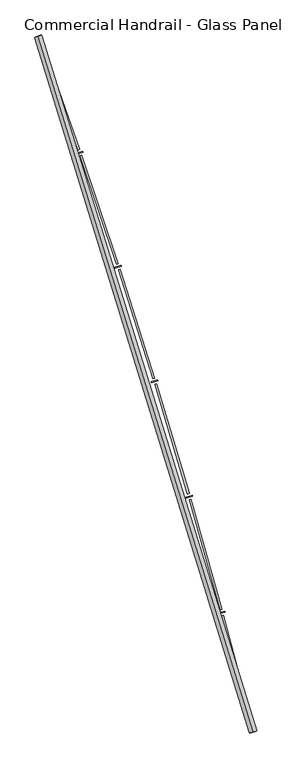
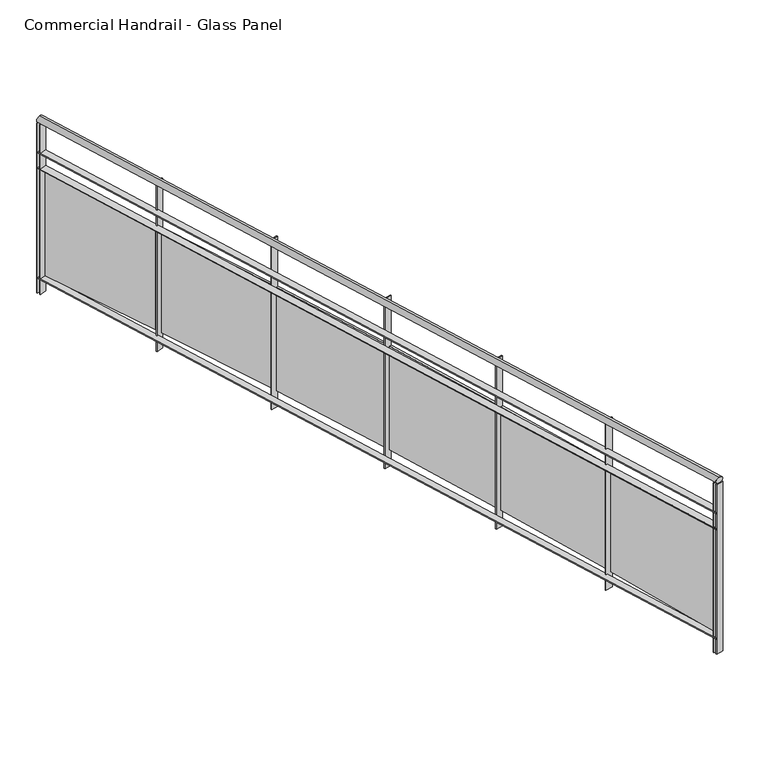
"""IFC4 building model written with IfcOpenShell, lengths in millimetres: railing geometry, Commercial Handrail - Glass Panel."""

from ifc_helpers import new_model, si_unit, point, frame, origin, place, context, project, spatial, polyline, circle_curve, ellipse_curve, trimmed, outline, extrude, source, transform, mapped, element, save
from ifc_brep_helpers import plane_surface, cylinder_surface, revolved_surface, advanced_brep


def commercial_handrail_glass_panel_d2531020(model_context):
    return source(origin(), model_context, "Body", "SolidModel", [
        advanced_brep(
        [(180775.6028582, -41782.2225015, 36682.5), (179346.0628414, -37160.8311359, 36682.5), (179346.0628414, -37160.8311359, 36717.5), (180775.6028582, -41782.2225015, 36717.5)],
        [
            (0, 1, circle_curve(frame((134505.1876621, -53563.3040857, 36682.5), z_axis=(0.0, 0.0, 1.0), x_axis=(0.9391412678699065, 0.3435311906999195, 0.0)), 47746.6774311)),
            (1, 2, ellipse_curve(frame((179346.0628414, -37160.8311359, 36700.0), z_axis=(0.34353119069991334, -0.9391412678699089, 0.0), x_axis=(-0.9391412678699087, -0.3435311906999133, 0.0)), 25.0, 17.5)),
            (2, 3, circle_curve(frame((134505.1876621, -53563.3040857, 36717.5), z_axis=(0.0, 0.0, -1.0), x_axis=(0.9391412678699065, 0.3435311906999195, 0.0)), 47746.6774311)),
            (3, 0, ellipse_curve(frame((180775.6028582, -41782.2225015, 36700.0), z_axis=(-0.24674139056469252, 0.969081362003316, 0.0), x_axis=(-0.969081362003316, -0.24674139056469252, 0.0)), 25.0, 17.5)),
            (2, 1, ellipse_curve(frame((179346.0628414, -37160.8311359, 36700.0), z_axis=(0.34353119069991334, -0.9391412678699089, 0.0), x_axis=(-0.9391412678699087, -0.3435311906999133, 0.0)), 25.0, 17.5)),
            (0, 3, ellipse_curve(frame((180775.6028582, -41782.2225015, 36700.0), z_axis=(-0.24674139056469252, 0.969081362003316, 0.0), x_axis=(-0.969081362003316, -0.24674139056469252, 0.0)), 25.0, 17.5)),
        ],
        [
            revolved_surface(trimmed(ellipse_curve(frame((179346.0628414, -37160.8311359, 36700.0), z_axis=(-0.3435311906999195, 0.9391412678699065, 0.0), x_axis=(0.0, 0.0, -1.0)), 17.5, 25.0), [point((179346.0628414, -37160.8311359, 36717.5))], [point((179346.0628414, -37160.8311359, 36682.5))], True, "CARTESIAN"), (134505.1876621, -53563.3040857, 36700.0), (0.0, 0.0, -1.0)),
            revolved_surface(trimmed(ellipse_curve(frame((179346.0628414, -37160.8311359, 36700.0), z_axis=(-0.3435311906999195, 0.9391412678699065, 0.0), x_axis=(0.0, 0.0, -1.0)), 17.5, 25.0), [point((179346.0628414, -37160.8311359, 36682.5))], [point((179346.0628414, -37160.8311359, 36717.5))], True, "CARTESIAN"), (134505.1876621, -53563.3040857, 36700.0), (0.0, 0.0, -1.0)),
            plane_surface(frame((179346.0628414, -37160.8311359, 36700.0), z_axis=(-0.3435311906999195, 0.9391412678699065, 0.0), x_axis=(0.9391412678699065, 0.3435311906999195, 0.0))),
            plane_surface(frame((180775.6028582, -41782.2225015, 36700.0), z_axis=(0.24674139056469271, -0.9690813620033158, 0.0), x_axis=(0.9690813620033158, 0.24674139056469271, 0.0))),
        ],
        [
            (0, [[1, 2, 3, 4]]),
            (1, [[-3, 5, -1, 6]]),
            (2, [[-2, -5]]),
            (3, [[-6, -4]]),
        ],
    ),
        advanced_brep(
        [(180797.4071889, -41776.6708203, 36500.0), (179367.1935199, -37153.1016841, 36500.0), (179324.9321629, -37168.5605877, 36500.0), (180753.7985276, -41787.7741828, 36500.0), (180797.4071889, -41776.6708203, 36494.0), (179367.1935199, -37153.1016841, 36494.0), (180753.7985276, -41787.7741828, 36494.0), (179324.9321629, -37168.5605877, 36494.0)],
        [
            (0, 1, circle_curve(frame((134505.1876621, -53563.3040857, 36500.0), z_axis=(0.0, 0.0, 1.0), x_axis=(0.9391412678699065, 0.3435311906999195, 0.0)), 47769.1774311)),
            (1, 2),
            (2, 3, circle_curve(frame((134505.1876621, -53563.3040857, 36500.0), z_axis=(0.0, 0.0, -1.0), x_axis=(0.9391412678699065, 0.3435311906999195, 0.0)), 47724.1774311)),
            (3, 0),
            (4, 5, circle_curve(frame((134505.1876621, -53563.3040857, 36494.0), z_axis=(0.0, 0.0, 1.0), x_axis=(0.9391412678699065, 0.3435311906999195, 0.0)), 47769.1774311)),
            (5, 1),
            (0, 4),
            (6, 7, circle_curve(frame((134505.1876621, -53563.3040857, 36494.0), z_axis=(0.0, 0.0, 1.0), x_axis=(0.9391412678699065, 0.3435311906999195, 0.0)), 47724.1774311)),
            (7, 5),
            (4, 6),
            (2, 7),
            (6, 3),
        ],
        [
            plane_surface(frame((134505.1876621, -53563.3040857, 36500.0), z_axis=(0.0, 0.0, 1.0), x_axis=(0.9391412678699065, 0.3435311906999195, 0.0))),
            cylinder_surface(frame((134505.1876621, -53563.3040857, 36500.0), z_axis=(0.0, 0.0, -1.0), x_axis=(0.9391412678699065, 0.3435311906999195, 0.0)), 47769.1774311),
            plane_surface(frame((134505.1876621, -53563.3040857, 36494.0), z_axis=(0.0, 0.0, -1.0), x_axis=(0.9391412678699065, 0.3435311906999195, 0.0))),
            revolved_surface(polyline([(179324.93216279164, -37168.56058762, 36494.0), (179324.93216279164, -37168.56058762, 36500.0)]), (134505.1876621, -53563.3040857, 36500.0), (0.0, 0.0, -1.0)),
            plane_surface(frame((179346.0628414, -37160.8311359, 36500.0), z_axis=(-0.3435311906999195, 0.9391412678699065, 0.0), x_axis=(0.9391412678699065, 0.3435311906999195, 0.0))),
            plane_surface(frame((180775.6028582, -41782.2225015, 36500.0), z_axis=(0.24674139056469271, -0.9690813620033158, 0.0), x_axis=(0.9690813620033158, 0.24674139056469271, 0.0))),
        ],
        [
            (0, [[1, 2, 3, 4]]),
            (1, [[5, 6, -1, 7]]),
            (2, [[8, 9, -5, 10]]),
            (3, [[-3, 11, -8, 12]]),
            (4, [[-2, -6, -9, -11]]),
            (5, [[-12, -10, -7, -4]]),
        ],
    ),
        advanced_brep(
        [(180797.4071889, -41776.6708203, 36400.0), (179367.1935199, -37153.1016841, 36400.0), (179324.9321629, -37168.5605877, 36400.0), (180753.7985276, -41787.7741828, 36400.0), (180797.4071889, -41776.6708203, 36394.0), (179367.1935199, -37153.1016841, 36394.0), (180753.7985276, -41787.7741828, 36394.0), (179324.9321629, -37168.5605877, 36394.0)],
        [
            (0, 1, circle_curve(frame((134505.1876621, -53563.3040857, 36400.0), z_axis=(0.0, 0.0, 1.0), x_axis=(0.9391412678699065, 0.3435311906999195, 0.0)), 47769.1774311)),
            (1, 2),
            (2, 3, circle_curve(frame((134505.1876621, -53563.3040857, 36400.0), z_axis=(0.0, 0.0, -1.0), x_axis=(0.9391412678699065, 0.3435311906999195, 0.0)), 47724.1774311)),
            (3, 0),
            (4, 5, circle_curve(frame((134505.1876621, -53563.3040857, 36394.0), z_axis=(0.0, 0.0, 1.0), x_axis=(0.9391412678699065, 0.3435311906999195, 0.0)), 47769.1774311)),
            (5, 1),
            (0, 4),
            (6, 7, circle_curve(frame((134505.1876621, -53563.3040857, 36394.0), z_axis=(0.0, 0.0, 1.0), x_axis=(0.9391412678699065, 0.3435311906999195, 0.0)), 47724.1774311)),
            (7, 5),
            (4, 6),
            (2, 7),
            (6, 3),
        ],
        [
            plane_surface(frame((134505.1876621, -53563.3040857, 36400.0), z_axis=(0.0, 0.0, 1.0), x_axis=(0.9391412678699065, 0.3435311906999195, 0.0))),
            cylinder_surface(frame((134505.1876621, -53563.3040857, 36400.0), z_axis=(0.0, 0.0, -1.0), x_axis=(0.9391412678699065, 0.3435311906999195, 0.0)), 47769.1774311),
            plane_surface(frame((134505.1876621, -53563.3040857, 36394.0), z_axis=(0.0, 0.0, -1.0), x_axis=(0.9391412678699065, 0.3435311906999195, 0.0))),
            revolved_surface(polyline([(179324.93216279164, -37168.56058762, 36394.0), (179324.93216279164, -37168.56058762, 36400.0)]), (134505.1876621, -53563.3040857, 36400.0), (0.0, 0.0, -1.0)),
            plane_surface(frame((179346.0628414, -37160.8311359, 36400.0), z_axis=(-0.3435311906999195, 0.9391412678699065, 0.0), x_axis=(0.9391412678699065, 0.3435311906999195, 0.0))),
            plane_surface(frame((180775.6028582, -41782.2225015, 36400.0), z_axis=(0.24674139056469271, -0.9690813620033158, 0.0), x_axis=(0.9690813620033158, 0.24674139056469271, 0.0))),
        ],
        [
            (0, [[1, 2, 3, 4]]),
            (1, [[5, 6, -1, 7]]),
            (2, [[8, 9, -5, 10]]),
            (3, [[-3, 11, -8, 12]]),
            (4, [[-2, -6, -9, -11]]),
            (5, [[-12, -10, -7, -4]]),
        ],
    ),
        advanced_brep(
        [(180797.4071889, -41776.6708203, 35700.0), (179367.1935199, -37153.1016841, 35700.0), (179324.9321629, -37168.5605877, 35700.0), (180753.7985276, -41787.7741828, 35700.0), (180797.4071889, -41776.6708203, 35694.0), (179367.1935199, -37153.1016841, 35694.0), (180753.7985276, -41787.7741828, 35694.0), (179324.9321629, -37168.5605877, 35694.0)],
        [
            (0, 1, circle_curve(frame((134505.1876621, -53563.3040857, 35700.0), z_axis=(0.0, 0.0, 1.0), x_axis=(0.9391412678699065, 0.3435311906999195, 0.0)), 47769.1774311)),
            (1, 2),
            (2, 3, circle_curve(frame((134505.1876621, -53563.3040857, 35700.0), z_axis=(0.0, 0.0, -1.0), x_axis=(0.9391412678699065, 0.3435311906999195, 0.0)), 47724.1774311)),
            (3, 0),
            (4, 5, circle_curve(frame((134505.1876621, -53563.3040857, 35694.0), z_axis=(0.0, 0.0, 1.0), x_axis=(0.9391412678699065, 0.3435311906999195, 0.0)), 47769.1774311)),
            (5, 1),
            (0, 4),
            (6, 7, circle_curve(frame((134505.1876621, -53563.3040857, 35694.0), z_axis=(0.0, 0.0, 1.0), x_axis=(0.9391412678699065, 0.3435311906999195, 0.0)), 47724.1774311)),
            (7, 5),
            (4, 6),
            (2, 7),
            (6, 3),
        ],
        [
            plane_surface(frame((134505.1876621, -53563.3040857, 35700.0), z_axis=(0.0, 0.0, 1.0), x_axis=(0.9391412678699065, 0.3435311906999195, 0.0))),
            cylinder_surface(frame((134505.1876621, -53563.3040857, 35700.0), z_axis=(0.0, 0.0, -1.0), x_axis=(0.9391412678699065, 0.3435311906999195, 0.0)), 47769.1774311),
            plane_surface(frame((134505.1876621, -53563.3040857, 35694.0), z_axis=(0.0, 0.0, -1.0), x_axis=(0.9391412678699065, 0.3435311906999195, 0.0))),
            revolved_surface(polyline([(179324.93216279164, -37168.56058762, 35694.0), (179324.93216279164, -37168.56058762, 35700.0)]), (134505.1876621, -53563.3040857, 35700.0), (0.0, 0.0, -1.0)),
            plane_surface(frame((179346.0628414, -37160.8311359, 35700.0), z_axis=(-0.3435311906999195, 0.9391412678699065, 0.0), x_axis=(0.9391412678699065, 0.3435311906999195, 0.0))),
            plane_surface(frame((180775.6028582, -41782.2225015, 35700.0), z_axis=(0.24674139056469271, -0.9690813620033158, 0.0), x_axis=(0.9690813620033158, 0.24674139056469271, 0.0))),
        ],
        [
            (0, [[1, 2, 3, 4]]),
            (1, [[5, 6, -1, 7]]),
            (2, [[8, 9, -5, 10]]),
            (3, [[-3, 11, -8, 12]]),
            (4, [[-2, -6, -9, -11]]),
            (5, [[-12, -10, -7, -4]]),
        ],
    ),
        extrude(outline(polyline([(180748.1806794, -41765.7315693), (180791.7847427, -41754.6101634), (180793.2675968, -41760.4240385), (180749.6635336, -41771.5454444), (180748.1806794, -41765.7315693)])), frame((0.0, 0.0, 35600.0), z_axis=(0.0, 0.0, 1.0), x_axis=(1.0, 0.0, 0.0)), (0.0, 0.0, 1.0), 1082.1192282),
        extrude(outline(polyline([(180579.0506002, -41006.960836), (180773.041554, -41741.7856518), (180761.4390569, -41744.8486668), (180567.4481031, -41010.0238511), (180579.0506002, -41006.960836)])), frame((0.0, 0.0, 35720.0), z_axis=(0.0, 0.0, 1.0), x_axis=(1.0, 0.0, 0.0)), (0.0, 0.0, 1.0), 660.0),
        extrude(outline(polyline([(180544.0296903, -40992.6181386), (180587.4413017, -40980.7677378), (180589.0213551, -40986.5559526), (180545.6097438, -40998.4063534), (180544.0296903, -40992.6181386)])), frame((0.0, 0.0, 35600.0), z_axis=(0.0, 0.0, 1.0), x_axis=(1.0, 0.0, 0.0)), (0.0, 0.0, 1.0), 1082.1192282),
        extrude(outline(polyline([(180362.2106717, -40236.7875664), (180568.485878, -40968.2590554), (180556.9363282, -40971.5160323), (180350.6611219, -40240.0445433), (180362.2106717, -40236.7875664)])), frame((0.0, 0.0, 35720.0), z_axis=(0.0, 0.0, 1.0), x_axis=(1.0, 0.0, 0.0)), (0.0, 0.0, 1.0), 660.0),
        extrude(outline(polyline([(180326.9543755, -40223.0336333), (180370.1613482, -40210.4575643), (180371.8381574, -40216.218494), (180328.6311847, -40228.794563), (180326.9543755, -40223.0336333)])), frame((0.0, 0.0, 35600.0), z_axis=(0.0, 0.0, 1.0), x_axis=(1.0, 0.0, 0.0)), (0.0, 0.0, 1.0), 1082.1192282),
        extrude(outline(polyline([(180132.4974589, -39470.3554039), (180350.9990108, -40198.2682227), (180339.5056505, -40201.7182472), (180121.0040986, -39473.8054284), (180132.4974589, -39470.3554039)])), frame((0.0, 0.0, 35720.0), z_axis=(0.0, 0.0, 1.0), x_axis=(1.0, 0.0, 0.0)), (0.0, 0.0, 1.0), 660.0),
        extrude(outline(polyline([(180097.0156738, -39457.1940962), (180140.0058784, -39443.8958894), (180141.7789726, -39449.6279167), (180098.788768, -39462.9261235), (180097.0156738, -39457.1940962)])), frame((0.0, 0.0, 35600.0), z_axis=(0.0, 0.0, 1.0), x_axis=(1.0, 0.0, 0.0)), (0.0, 0.0, 1.0), 1082.1192282),
        extrude(outline(polyline([(179889.9754484, -38707.8795063), (180120.6420068, -39432.0293105), (180109.2080625, -39435.6714141), (179878.5415042, -38711.5216099), (179889.9754484, -38707.8795063)])), frame((0.0, 0.0, 35720.0), z_axis=(0.0, 0.0, 1.0), x_axis=(1.0, 0.0, 0.0)), (0.0, 0.0, 1.0), 660.0),
        extrude(outline(polyline([(179854.278135, -38695.3145188), (179897.0395032, -38681.2979075), (179898.9083847, -38686.9994232), (179856.1470165, -38701.0160346), (179854.278135, -38695.3145188)])), frame((0.0, 0.0, 35600.0), z_axis=(0.0, 0.0, 1.0), x_axis=(1.0, 0.0, 0.0)), (0.0, 0.0, 1.0), 1082.1192282),
        extrude(outline(polyline([(179634.7127226, -37949.5739211), (179877.4795332, -38669.7574225), (179866.1082147, -38673.5905826), (179623.3414042, -37953.4070812), (179634.7127226, -37949.5739211)])), frame((0.0, 0.0, 35720.0), z_axis=(0.0, 0.0, 1.0), x_axis=(1.0, 0.0, 0.0)), (0.0, 0.0, 1.0), 660.0),
        extrude(outline(polyline([(179598.8099021, -37937.608781), (179641.3304295, -37922.8776999), (179643.2945737, -37928.5471036), (179600.7740463, -37943.2781847), (179598.8099021, -37937.608781)])), frame((0.0, 0.0, 35600.0), z_axis=(0.0, 0.0, 1.0), x_axis=(1.0, 0.0, 0.0)), (0.0, 0.0, 1.0), 1082.1192282),
        extrude(outline(polyline([(179366.7809405, -37195.6515245), (179621.5798522, -37911.6665486), (179610.2743518, -37915.6896893), (179355.4754402, -37199.6746652), (179366.7809405, -37195.6515245)])), frame((0.0, 0.0, 35720.0), z_axis=(0.0, 0.0, 1.0), x_axis=(1.0, 0.0, 0.0)), (0.0, 0.0, 1.0), 660.0),
        extrude(outline(polyline([(179330.6826918, -37184.2895909), (179372.9504418, -37168.8481755), (179375.0092972, -37174.4838755), (179332.7415472, -37189.9252909), (179330.6826918, -37184.2895909)])), frame((0.0, 0.0, 35600.0), z_axis=(0.0, 0.0, 1.0), x_axis=(1.0, 0.0, 0.0)), (0.0, 0.0, 1.0), 1082.1192282),
        extrude(outline(polyline([(180753.0583034, -41784.8669387), (180796.6669647, -41773.7635762), (180798.147413, -41779.5780643), (180754.5387518, -41790.6814269), (180753.0583034, -41784.8669387)])), frame((0.0, 0.0, 35600.0), z_axis=(0.0, 0.0, 1.0), x_axis=(1.0, 0.0, 0.0)), (0.0, 0.0, 1.0), 1082.1192282),
        extrude(outline(polyline([(179323.9015693, -37165.7431638), (179366.1629263, -37150.2842603), (179368.2241135, -37155.9191079), (179325.9627564, -37171.3780115), (179323.9015693, -37165.7431638)])), frame((0.0, 0.0, 35600.0), z_axis=(0.0, 0.0, 1.0), x_axis=(1.0, 0.0, 0.0)), (0.0, 0.0, 1.0), 1082.1192282),
    ])


if __name__ == "__main__":
    model = new_model("IFC4")
    model_context = context("Model", 3, world=origin())
    ifc_project = project(units=[si_unit("LENGTHUNIT", "METRE", prefix="MILLI")], contexts=[model_context])
    site = spatial("IfcSite", under=ifc_project)
    building = spatial("IfcBuilding", under=site)
    placement = place(None, origin())
    commercial_handrail_glass_panel_shape = commercial_handrail_glass_panel_d2531020(model_context)
    element("IfcRailing", 1, ObjectType="Commercial Handrail - Glass Panel", at=placement, inside=building, context=model_context, shape_type="MappedRepresentation", body=[
        mapped(commercial_handrail_glass_panel_shape, transform((0.0, 0.0, 0.0), x_axis=(1.0, 0.0, 0.0), y_axis=(0.0, 1.0, 0.0), z_axis=(0.0, 0.0, 1.0))),
    ])
    save(model, "model.ifc")
